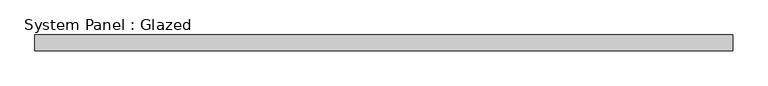
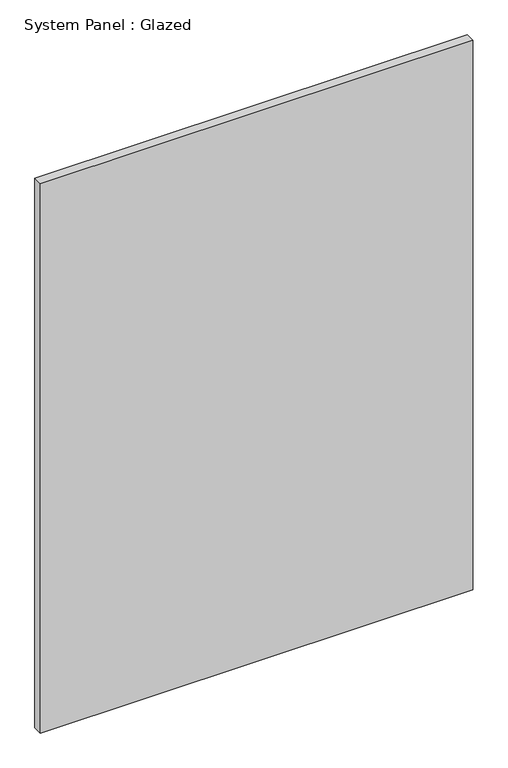
"""IFC4 building model written with IfcOpenShell, lengths in millimetres: plate geometry, System Panel : Glazed."""

from ifc_helpers import new_model, si_unit, origin, origin_with_axes, place, context, project, spatial, polyline, outline, extrude, source, transform, mapped, element, save


def system_panel_glazed_5d65299e(model_context):
    return source(origin(), model_context, "Body", "SweptSolid", [
        extrude(outline(polyline([(557.8913591, -49.5), (-557.8913591, -49.5), (-557.8913591, -24.5), (557.8913591, -24.5), (557.8913591, -49.5)])), origin_with_axes(), (0.0, 0.0, 1.0), 1500.0),
    ])


if __name__ == "__main__":
    model = new_model("IFC4")
    model_context = context("Model", 3, world=origin())
    ifc_project = project(units=[si_unit("LENGTHUNIT", "METRE", prefix="MILLI")], contexts=[model_context])
    site = spatial("IfcSite", under=ifc_project)
    building = spatial("IfcBuilding", under=site)
    placement = place(None, origin())
    system_panel_glazed_shape = system_panel_glazed_5d65299e(model_context)
    element("IfcPlate", 1, ObjectType="System Panel : Glazed", at=placement, inside=building, context=model_context, shape_type="MappedRepresentation", body=[
        mapped(system_panel_glazed_shape, transform((0.0, 0.0, 0.0), x_axis=(1.0, 0.0, 0.0), y_axis=(0.0, 1.0, 0.0), z_axis=(0.0, 0.0, 1.0))),
    ])
    save(model, "model.ifc")
